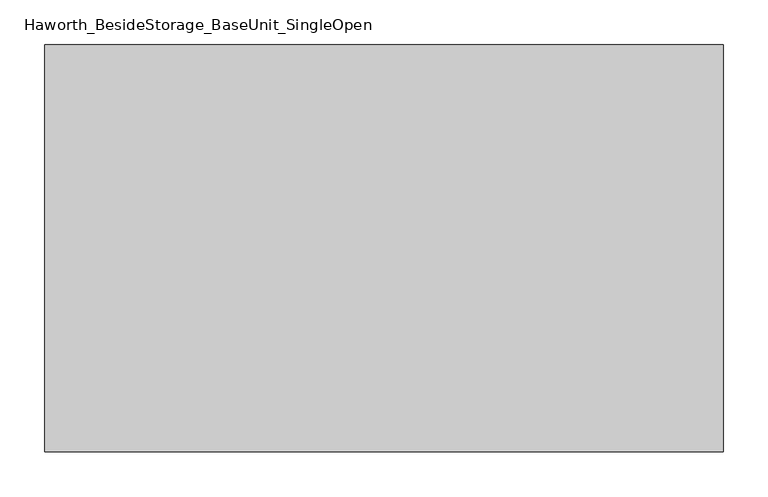
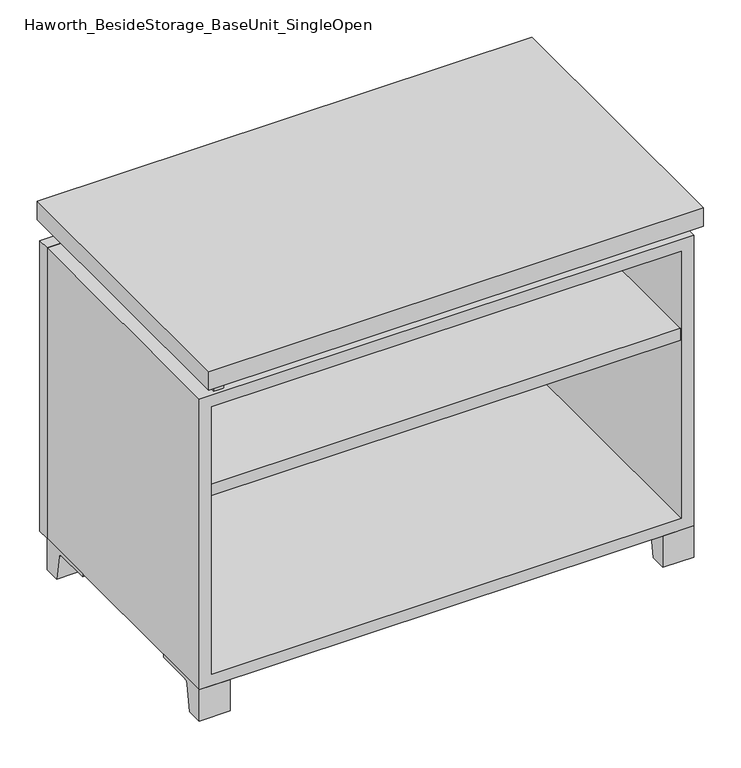
"""IFC4 building model written with IfcOpenShell, lengths in millimetres: furniture geometry, Haworth_BesideStorage_BaseUnit_SingleOpen."""

from ifc_helpers import new_model, si_unit, point, frame, frame_2d, origin, place, context, project, spatial, polyline, circle_curve, trimmed, segment, composite_curve, outline, extrude, source, transform, mapped, element, save


def haworth_besidestorage_baseunit_singleopen_ee827360(model_context):
    return source(origin(), model_context, "Body", "SweptSolid", [
        extrude(outline(polyline([(361.9638906, 222.25), (361.9638906, -136.525), (-361.9361094, -136.525), (-361.9361094, 222.25), (361.9638906, 222.25)])), frame((0.0, 0.0, 357.98125), z_axis=(0.0, 0.0, 1.0), x_axis=(1.0, 0.0, 0.0)), (0.0, 0.0, 1.0), 19.05),
        extrude(outline(polyline([(381.0138906, 292.1), (381.0138906, -165.1), (-380.9861094, -165.1), (-380.9861094, 292.1), (381.0138906, 292.1)])), frame((0.0, 0.0, 554.0375), z_axis=(0.0, 0.0, 1.0), x_axis=(1.0, 0.0, 0.0)), (0.0, 0.0, 1.0), 30.1625),
        extrude(outline(composite_curve([segment(polyline([(-114.3000136, 0.0), (-139.7, 0.0), (-139.7, 50.8), (-44.45, 50.8), (-44.45, 46.0213321), (-101.2505345, 46.0213321)]), True, "CONTINUOUS"), segment(trimmed(circle_curve(frame_2d((-101.2505345, 39.6713321)), 6.35), [point((-101.2505345, 46.0213321))], [point((-107.5141359, 40.7152656))], True, "CARTESIAN"), True, "CONTINUOUS"), segment(polyline([(-107.5141359, 40.7152656), (-114.3000136, 0.0)]), True, "CONTINUOUS")], self_intersect=False)), frame((333.3888906, 0.0, 0.0), z_axis=(1.0, 0.0, 0.0), x_axis=(0.0, 1.0, 0.0)), (0.0, 0.0, 1.0), 47.625),
        extrude(outline(composite_curve([segment(polyline([(241.3000136, 0.0), (234.5141359, 40.7152656)]), True, "CONTINUOUS"), segment(trimmed(circle_curve(frame_2d((228.2505345, 39.6713321)), 6.35), [point((234.5141359, 40.7152656))], [point((228.2505345, 46.0213321))], True, "CARTESIAN"), True, "CONTINUOUS"), segment(polyline([(228.2505345, 46.0213321), (171.45, 46.0213321), (171.45, 50.8), (266.7, 50.8), (266.7, 0.0), (241.3000136, 0.0)]), True, "CONTINUOUS")], self_intersect=False)), frame((333.3888906, 0.0, 0.0), z_axis=(1.0, 0.0, 0.0), x_axis=(0.0, 1.0, 0.0)), (0.0, 0.0, 1.0), 47.625),
        extrude(outline(composite_curve([segment(polyline([(-114.3000136, 0.0), (-139.7, 0.0), (-139.7, 50.8), (-44.45, 50.8), (-44.45, 46.0213321), (-101.2505345, 46.0213321)]), True, "CONTINUOUS"), segment(trimmed(circle_curve(frame_2d((-101.2505345, 39.6713321)), 6.35), [point((-101.2505345, 46.0213321))], [point((-107.5141359, 40.7152656))], True, "CARTESIAN"), True, "CONTINUOUS"), segment(polyline([(-107.5141359, 40.7152656), (-114.3000136, 0.0)]), True, "CONTINUOUS")], self_intersect=False)), frame((-380.9861094, 0.0, 0.0), z_axis=(1.0, 0.0, 0.0), x_axis=(0.0, 1.0, 0.0)), (0.0, 0.0, 1.0), 47.625),
        extrude(outline(composite_curve([segment(polyline([(241.3000136, 0.0), (234.5141359, 40.7152656)]), True, "CONTINUOUS"), segment(trimmed(circle_curve(frame_2d((228.2505345, 39.6713321)), 6.35), [point((234.5141359, 40.7152656))], [point((228.2505345, 46.0213321))], True, "CARTESIAN"), True, "CONTINUOUS"), segment(polyline([(228.2505345, 46.0213321), (171.45, 46.0213321), (171.45, 50.8), (266.7, 50.8), (266.7, 0.0), (241.3000136, 0.0)]), True, "CONTINUOUS")], self_intersect=False)), frame((-380.9861094, 0.0, 0.0), z_axis=(1.0, 0.0, 0.0), x_axis=(0.0, 1.0, 0.0)), (0.0, 0.0, 1.0), 47.625),
        extrude(outline(polyline([(-355.5791641, -133.35), (-355.5791641, 234.95), (-339.7041641, 234.95), (-339.7041641, 73.025), (339.7111094, 73.025), (339.7111094, 247.65), (355.5861094, 247.65), (355.5861094, -120.65), (339.7111094, -120.65), (339.7111094, 53.975), (-339.7041641, 53.975), (-339.7041641, -133.35), (-355.5791641, -133.35)])), frame((0.0, 0.0, 523.875), z_axis=(0.0, 0.0, 1.0), x_axis=(1.0, 0.0, 0.0)), (0.0, 0.0, 1.0), 30.1625),
        extrude(outline(polyline([(381.0138906, 266.7), (-380.9861094, 266.7), (-380.9861094, 285.75), (381.0138906, 285.75), (381.0138906, 266.7)])), frame((0.0, 0.0, 50.8), z_axis=(0.0, 0.0, 1.0), x_axis=(1.0, 0.0, 0.0)), (0.0, 0.0, 1.0), 473.075),
        extrude(outline(polyline([(50.8, -380.9861094), (50.8, 381.0138906), (523.875, 381.0138906), (523.875, -380.9861094), (50.8, -380.9861094)]), holes=[polyline([(69.85, -361.9361094), (504.825, -361.9361094), (504.825, 361.9569453), (69.85, 361.9569453), (69.85, -361.9361094)])]), frame((0.0, -139.7, 0.0), z_axis=(0.0, 1.0, 0.0), x_axis=(0.0, 0.0, 1.0)), (0.0, 0.0, 1.0), 406.4),
        extrude(outline(polyline([(-361.9291641, 234.95), (-361.9291641, 241.3), (361.9569453, 241.3), (361.9569453, 234.95), (-361.9291641, 234.95)])), frame((0.0, 0.0, 69.85), z_axis=(0.0, 0.0, 1.0), x_axis=(1.0, 0.0, 0.0)), (0.0, 0.0, 1.0), 434.975),
    ])


if __name__ == "__main__":
    model = new_model("IFC4")
    model_context = context("Model", 3, world=origin())
    ifc_project = project(units=[si_unit("LENGTHUNIT", "METRE", prefix="MILLI")], contexts=[model_context])
    site = spatial("IfcSite", under=ifc_project)
    building = spatial("IfcBuilding", under=site)
    placement = place(None, origin())
    haworth_besidestorage_baseunit_singleopen_shape = haworth_besidestorage_baseunit_singleopen_ee827360(model_context)
    element("IfcFurniture", 1, ObjectType="Haworth_BesideStorage_BaseUnit_SingleOpen", at=placement, inside=building, context=model_context, shape_type="MappedRepresentation", body=[
        mapped(haworth_besidestorage_baseunit_singleopen_shape, transform((0.0, 0.0, 0.0), x_axis=(1.0, 0.0, 0.0), y_axis=(0.0, 1.0, 0.0), z_axis=(0.0, 0.0, 1.0))),
    ])
    save(model, "model.ifc")
